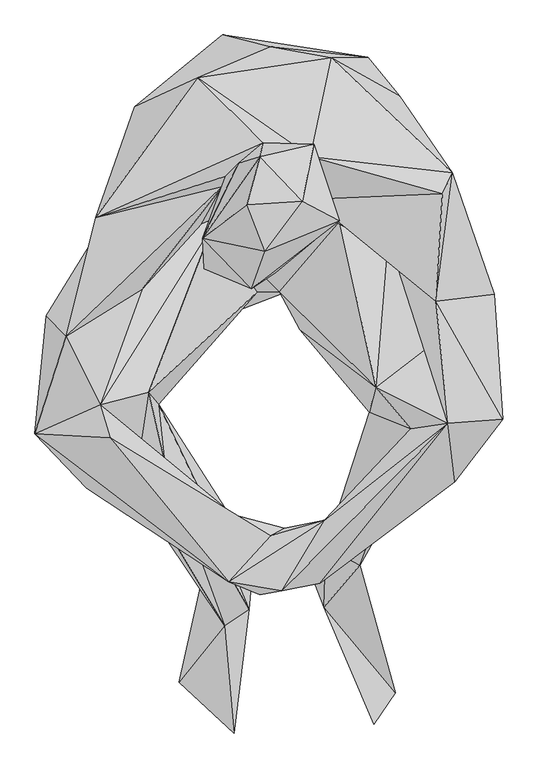
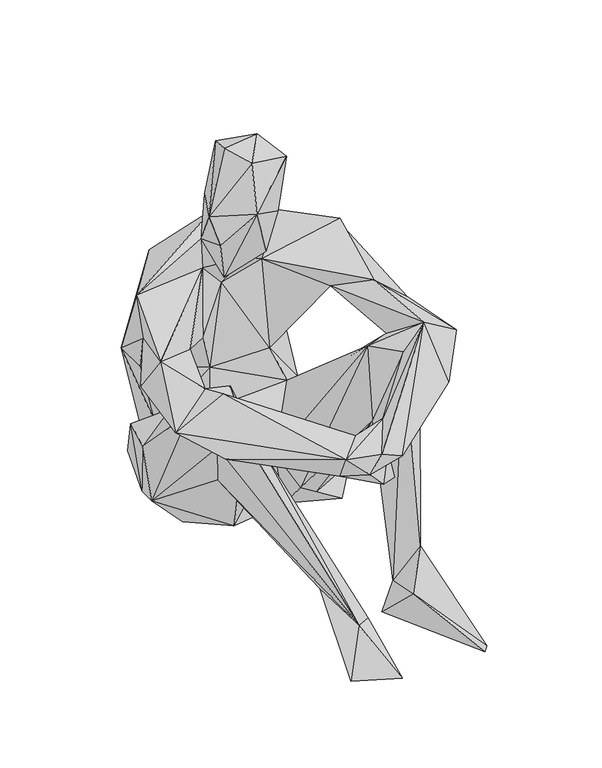
"""IFC4 building model written with IfcOpenShell, lengths in millimetres: geographic element geometry."""

from ifc_helpers import new_model, si_unit, origin, place, context, project, spatial, faceted_brep, source, transform, mapped, element, save


def geographic_element_5925dc2a(model_context):
    return source(origin(), model_context, "Body", "Brep", [
        faceted_brep([(-69.9749506, 193.7704658, 305.793967), (-196.3987177, 90.6900603, 365.6912103), (-1.1522083, 177.0258971, 471.1921753), (-144.8063087, 105.4798575, 154.4393282), (-173.1421777, -1.4537537, 237.7162993), (-252.1458833, -68.3381549, 611.2289353), (-105.9491994, 132.4640645, 551.8878034), (-233.2036764, -63.188418, 495.4624711), (-183.2703478, 35.878032, 347.2323971), (-104.5095163, 126.2700542, 112.0763109), (100.1646879, 77.6250502, 26.0373258), (63.4700201, 137.1573789, 104.6995955), (-182.850299, 28.9905924, 41.7153383), (-190.9145838, 74.0733808, 117.7305863), (117.5909549, 117.0488731, 144.4695574), (157.4442218, 61.1597329, 164.8455838), (138.3260024, 162.1187607, 399.3469725), (183.6962677, 106.5921845, 342.4299615), (174.9455907, 15.9091575, 210.2627728), (192.5067878, 13.5202611, 175.2659061), (65.4951773, -60.5108805, 365.8014789), (97.8884312, -73.9407977, 280.9440757), (173.6103424, -21.0248676, 219.0240147), (185.1523645, -176.4216401, 107.6563807), (230.6493343, -249.9024688, 458.0532554), (176.8147029, -0.5702375, 50.5903916), (150.0100177, -311.1689946, 492.9926334), (11.791949, -173.9494332, 188.2194406), (-83.813182, -78.2950213, 276.6625847), (-73.5418638, -59.1251843, 364.5319596), (35.5236861, -169.4004366, 56.3033291), (41.061792, -228.5784157, 128.0605628), (-20.1988441, -174.6569403, 150.4699569), (140.8650858, -346.8686597, 332.8955132), (92.0851443, -195.6606781, 75.9870848), (140.710218, -224.5750101, 64.6738551), (211.1673925, -417.8480156, 421.9206221), (203.8892482, -335.0814241, 280.1414992), (319.6638783, -177.8965123, 475.2307774), (253.2488076, -362.7966001, 545.6234745), (174.7109123, -117.6378861, 515.6343516), (199.9245708, -370.7482471, 496.2356923), (76.3637191, -502.1539864, 454.9005273), (127.2427424, -566.4242436, 159.5233659), (78.2821169, -539.4846134, 74.3608466), (122.422716, -495.7347153, 128.0805155), (75.774706, -626.4563721, 95.2883276), (46.3042253, -550.5291155, 14.7240952), (92.1672795, -543.1418352, 3.7311837), (177.829621, -749.2791918, 4.7202994), (147.0813882, -793.85977, 27.0006281), (69.8599658, -592.1201037, 418.0979081), (331.9439549, -357.4121848, 496.2932108), (263.1200221, -446.6473405, 445.5432241), (229.6684505, -40.1935312, 475.8725704), (259.7150174, -3.9658495, 576.3294626), (235.8471871, -188.1408221, 551.7752102), (15.457426, -602.5744006, 447.7115218), (56.8993792, -41.8995502, 577.5661397), (245.5951839, -33.8000688, 607.436709), (56.514527, 18.8635977, 673.3531273), (-12.2765338, 39.236098, 673.9996588), (85.9474678, 161.2059007, 527.8991396), (62.1793523, -100.405215, 730.5235176), (61.4436783, 36.7099191, 786.4056132), (-42.7290941, -52.3409949, 560.8625939), (-10.7793658, -100.1846256, 640.6923453), (-100.2491626, -76.8928891, 458.952004), (-70.8901426, -23.861976, 588.6012839), (-150.2247285, -27.4746526, 268.3507171), (-185.4421771, -170.6899234, 515.9781511), (-213.5433975, 21.035427, 225.3728928), (-208.7362681, -19.3939411, 191.6349954), (-161.2962464, -98.5748309, 35.5753112), (-208.3666746, -54.7111214, 78.4334754), (-257.22405, -290.4386484, 453.9982322), (-245.7172244, -336.3298434, 540.0208168), (-176.1306503, -318.2453474, 511.9324859), (-161.5485231, -335.577752, 311.8389508), (-194.3888193, -440.7994395, 426.7605788), (-152.8975796, -417.2835895, 394.5105027), (-113.8949678, -226.6107323, 87.7320979), (-220.6279459, -344.533767, 310.6292448), (-246.4834123, -385.8877373, 423.7158246), (-85.8629857, -526.2951786, 102.9008912), (-67.1871222, -652.8304139, 82.8827311), (-339.2209071, -377.6755882, 488.4448289), (-265.0959161, -455.725396, 444.5834701), (-294.0067315, -238.3147002, 564.0564491), (-323.2824464, -208.8184033, 495.9892867), (-54.2511784, -494.2516325, 424.3846185), (-231.2782378, -383.6232078, 550.4199794), (-61.4694945, -589.7616671, 453.2344285), (-1.3223409, -523.9896113, 452.0340804), (18.8330894, -513.0248602, 395.9196757), (65.4893137, -540.572279, 401.8343935), (71.272648, -556.6269091, 343.2747679), (21.2665738, -598.4020755, 368.280734), (-16.0171034, -608.5055991, 410.7728252), (-63.4007893, -569.1768457, 400.1999746), (3.8860631, -510.8507212, 366.2227049), (-106.5018238, -450.7786278, 260.1362435), (-32.2078574, -629.3556612, 74.1191423), (-132.0979877, -733.8663249, 15.8235056), (-53.8346463, -806.8297406, 39.3041516), (-24.7466673, -548.9838652, 17.4227504), (-60.6575526, -528.8002426, 18.6277588), (-65.6547538, -8.5617759, 649.5016733), (-16.2564626, 18.8682897, 858.8492764), (-47.3367529, 9.6259852, 744.4403676), (-98.7977522, -98.013981, 770.6760073), (-34.5920618, -49.4581306, 889.0437374), (44.8821517, -44.7601261, 893.7311658), (98.0362657, -72.6395762, 835.8567254), (-8.7319081, -116.2134693, 882.4049721), (-28.25609, -170.2698746, 795.7782051), (7.0211961, -146.3762206, 677.1933949), (-96.7491257, -141.1220563, 723.6537248), (-83.4999, -131.8210794, 636.144511)], [[[0, 1, 2]], [[1, 3, 4]], [[5, 6, 1]], [[1, 7, 5]], [[1, 0, 3]], [[6, 2, 1]], [[8, 7, 1]], [[8, 1, 4]], [[9, 3, 0]], [[4, 3, 9]], [[10, 9, 11]], [[9, 10, 12]], [[9, 13, 4]], [[0, 11, 9]], [[12, 13, 9]], [[14, 11, 0]], [[10, 11, 15]], [[11, 14, 15]], [[0, 16, 14]], [[16, 17, 14]], [[17, 18, 14]], [[15, 14, 18]], [[10, 15, 19]], [[19, 15, 18]], [[17, 20, 18]], [[18, 20, 21]], [[18, 22, 19]], [[18, 21, 22]], [[23, 19, 24]], [[19, 23, 25]], [[25, 10, 19]], [[24, 19, 22]], [[22, 21, 26]], [[24, 22, 26]], [[21, 27, 26]], [[27, 21, 28]], [[21, 29, 28]], [[29, 21, 20]], [[27, 30, 31]], [[31, 26, 27]], [[28, 32, 27]], [[32, 30, 27]], [[33, 26, 31]], [[33, 31, 34]], [[30, 35, 31]], [[35, 34, 31]], [[23, 33, 34]], [[35, 23, 34]], [[35, 30, 23]], [[24, 36, 23]], [[23, 36, 37]], [[30, 25, 23]], [[33, 23, 37]], [[36, 24, 38]], [[39, 24, 26]], [[24, 39, 40]], [[40, 38, 24]], [[41, 39, 26]], [[41, 26, 33]], [[41, 36, 42]], [[43, 36, 41]], [[44, 41, 33]], [[44, 43, 41]], [[42, 39, 41]], [[45, 33, 37]], [[33, 45, 44]], [[46, 43, 44]], [[44, 47, 46]], [[47, 44, 48]], [[45, 48, 44]], [[37, 43, 45]], [[45, 43, 48]], [[49, 48, 43]], [[49, 47, 48]], [[37, 36, 43]], [[49, 43, 46]], [[50, 49, 46]], [[47, 50, 46]], [[50, 47, 49]], [[36, 51, 42]], [[36, 38, 52]], [[53, 36, 52]], [[36, 53, 51]], [[54, 38, 40]], [[38, 54, 55]], [[56, 38, 55]], [[52, 38, 56]], [[39, 53, 52]], [[56, 39, 52]], [[39, 51, 53]], [[39, 57, 51]], [[39, 56, 40]], [[57, 39, 42]], [[40, 56, 58]], [[58, 56, 59]], [[59, 56, 55]], [[58, 59, 60]], [[60, 59, 55]], [[6, 61, 60]], [[62, 60, 55]], [[62, 6, 60]], [[63, 58, 60]], [[63, 60, 64]], [[60, 61, 64]], [[61, 6, 5]], [[2, 6, 62]], [[62, 55, 17]], [[62, 17, 16]], [[62, 16, 2]], [[0, 2, 16]], [[54, 17, 55]], [[20, 17, 54]], [[20, 54, 40]], [[20, 58, 65]], [[40, 58, 20]], [[65, 29, 20]], [[58, 63, 66]], [[58, 66, 65]], [[65, 67, 29]], [[68, 65, 66]], [[68, 67, 65]], [[8, 69, 29]], [[29, 69, 28]], [[67, 8, 29]], [[67, 68, 70]], [[8, 67, 7]], [[70, 7, 67]], [[4, 69, 8]], [[71, 69, 4]], [[4, 13, 71]], [[71, 12, 72]], [[12, 71, 13]], [[71, 72, 69]], [[73, 12, 10]], [[12, 74, 72]], [[73, 74, 12]], [[74, 75, 72]], [[75, 69, 72]], [[69, 76, 28]], [[75, 76, 69]], [[28, 77, 32]], [[28, 76, 77]], [[78, 32, 77]], [[79, 77, 76]], [[80, 78, 77]], [[80, 77, 79]], [[32, 78, 81]], [[81, 30, 32]], [[81, 78, 74]], [[30, 81, 73]], [[74, 73, 81]], [[25, 30, 73]], [[25, 73, 10]], [[78, 82, 74]], [[75, 74, 83]], [[74, 82, 83]], [[84, 82, 78]], [[85, 83, 82]], [[84, 85, 82]], [[83, 86, 75]], [[87, 86, 83]], [[83, 85, 79]], [[83, 79, 87]], [[75, 86, 7]], [[7, 70, 75]], [[75, 70, 76]], [[88, 7, 89]], [[5, 7, 88]], [[89, 7, 86]], [[86, 88, 89]], [[76, 88, 86]], [[70, 68, 88]], [[88, 76, 70]], [[68, 5, 88]], [[79, 76, 90]], [[91, 76, 86]], [[76, 91, 90]], [[91, 86, 92]], [[91, 93, 90]], [[93, 91, 92]], [[94, 90, 93]], [[93, 92, 42]], [[93, 42, 94]], [[95, 94, 42]], [[95, 42, 51]], [[92, 57, 42]], [[94, 95, 96]], [[97, 95, 98]], [[51, 98, 95]], [[97, 96, 95]], [[98, 51, 57]], [[57, 92, 98]], [[99, 97, 98]], [[92, 99, 98]], [[97, 99, 94]], [[97, 94, 96]], [[87, 90, 99]], [[87, 99, 92]], [[94, 99, 100]], [[100, 99, 90]], [[100, 90, 94]], [[87, 79, 90]], [[87, 92, 86]], [[85, 80, 79]], [[101, 78, 80]], [[80, 102, 101]], [[85, 102, 80]], [[84, 103, 85]], [[85, 103, 104]], [[104, 102, 85]], [[105, 102, 104]], [[102, 105, 101]], [[105, 78, 101]], [[105, 84, 78]], [[105, 106, 84]], [[84, 106, 103]], [[103, 105, 104]], [[103, 106, 105]], [[107, 5, 68]], [[68, 66, 107]], [[107, 61, 5]], [[61, 108, 64]], [[61, 109, 108]], [[109, 61, 107]], [[108, 109, 110]], [[108, 110, 111]], [[108, 112, 64]], [[108, 111, 112]], [[63, 64, 113]], [[113, 64, 112]], [[113, 112, 114]], [[114, 112, 111]], [[111, 110, 114]], [[115, 113, 114]], [[114, 110, 115]], [[63, 113, 115]], [[63, 116, 66]], [[63, 115, 116]], [[115, 117, 118]], [[115, 110, 117]], [[115, 118, 116]], [[118, 66, 116]], [[118, 107, 66]], [[118, 117, 107]], [[110, 107, 117]], [[110, 109, 107]]]),
    ])


if __name__ == "__main__":
    model = new_model("IFC4")
    model_context = context("Model", 3, world=origin())
    ifc_project = project(units=[si_unit("LENGTHUNIT", "METRE", prefix="MILLI")], contexts=[model_context])
    site = spatial("IfcSite", under=ifc_project)
    building = spatial("IfcBuilding", under=site)
    placement = place(None, origin())
    geographic_element_shape = geographic_element_5925dc2a(model_context)
    element("IfcGeographicElement", 1, at=placement, inside=building, context=model_context, shape_type="MappedRepresentation", body=[
        mapped(geographic_element_shape, transform((0.0, 0.0, 0.0), x_axis=(1.0, 0.0, 0.0), y_axis=(0.0, 1.0, 0.0), z_axis=(0.0, 0.0, 1.0))),
    ])
    save(model, "model.ifc")
